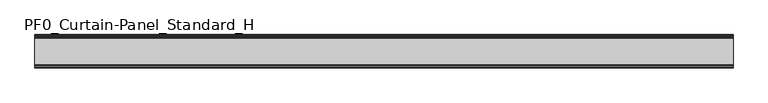
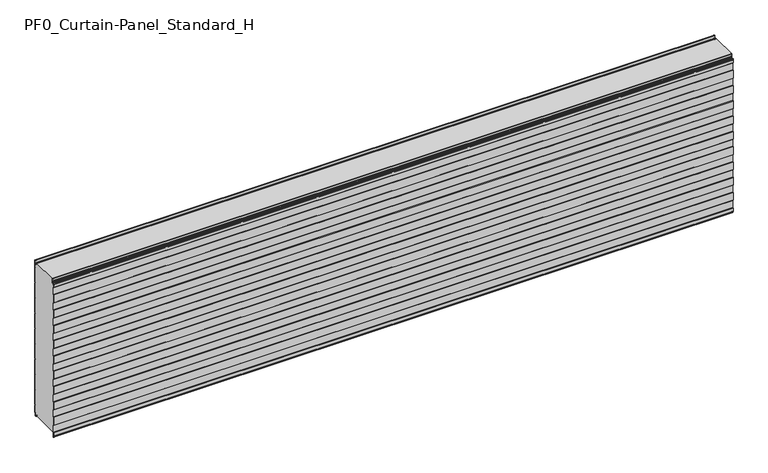
"""IFC4 building model written with IfcOpenShell, lengths in millimetres: plate geometry, PF0_Curtain-Panel_Standard_H."""

from ifc_helpers import new_model, si_unit, point, frame, frame_2d, origin, place, context, project, spatial, polyline, circle_curve, trimmed, segment, composite_curve, outline, extrude, source, transform, mapped, element, save


def pf0_curtain_panel_standard_h_e55e0dc4(model_context):
    return source(origin(), model_context, "Body", "SweptSolid", [
        extrude(outline(composite_curve([segment(polyline([(-190.0, 0.0), (-193.5, 0.0)]), True, "CONTINUOUS"), segment(trimmed(circle_curve(frame_2d((-193.5, -2.0)), 2.0), [point((-193.5, 0.0))], [point((-195.5, -2.0))], True, "CARTESIAN"), True, "CONTINUOUS"), segment(polyline([(-195.5, -2.0), (-195.5, -33.0)]), True, "CONTINUOUS"), segment(trimmed(circle_curve(frame_2d((-196.5, -33.0)), 1.0), [point((-195.5, -33.0))], [point((-197.5, -33.0))], False, "CARTESIAN"), True, "CONTINUOUS"), segment(polyline([(-197.5, -33.0), (-197.5, -26.9)]), True, "CONTINUOUS"), segment(trimmed(circle_curve(frame_2d((-198.4, -26.9)), 0.9), [point((-197.5, -26.9))], [point((-198.4, -26.0))], True, "CARTESIAN"), True, "CONTINUOUS"), segment(trimmed(circle_curve(frame_2d((-198.4, -24.4)), 1.6), [point((-198.4, -26.0))], [point((-200.0, -24.4))], False, "CARTESIAN"), True, "CONTINUOUS"), segment(polyline([(-200.0, -24.4), (-200.0, -0.9952559), (-198.5, 1.6028217), (-198.5, 46.4028193), (-200.0, 49.0008969), (-200.0, 99.0047441), (-198.5, 101.6028217), (-198.5, 146.4028193), (-200.0, 149.0008969), (-200.0, 199.0047441), (-198.5, 201.6028217), (-198.5, 246.4028193), (-200.0, 249.0008969), (-200.0, 299.0047441), (-198.5, 301.6028217), (-198.5, 346.4028193), (-200.0, 349.0008969), (-200.0, 399.0047441), (-198.5, 401.6028217), (-198.5, 446.4028193), (-200.0, 449.0008969), (-200.0, 499.0047441), (-198.5, 501.6028217), (-198.5, 546.4028193), (-200.0, 549.0008969), (-200.0, 599.0047441), (-198.5, 601.6028217), (-198.5, 646.4028193), (-200.0, 649.0008969), (-200.0, 699.0047441), (-198.5, 701.6028217), (-198.5, 746.4028193), (-200.0, 749.0008969), (-200.0, 799.0047441), (-198.5, 801.6028217), (-198.5, 846.4028193), (-200.0, 849.0008969), (-200.0, 899.0047441), (-198.5, 901.6028217), (-198.5, 946.4028193), (-200.0, 949.0008969), (-200.0, 972.168846)]), True, "CONTINUOUS"), segment(trimmed(circle_curve(frame_2d((-199.0, 972.168846)), 1.0), [point((-200.0, 972.168846))], [point((-198.0, 972.168846))], False, "CARTESIAN"), True, "CONTINUOUS"), segment(polyline([(-198.0, 972.168846), (-198.0, 966.168846)]), True, "CONTINUOUS"), segment(trimmed(circle_curve(frame_2d((-196.5, 966.168846)), 1.5), [point((-198.0, 966.168846))], [point((-195.0, 966.168846))], True, "CARTESIAN"), True, "CONTINUOUS"), segment(polyline([(-195.0, 966.168846), (-195.0, 966.9964664)]), True, "CONTINUOUS"), segment(trimmed(circle_curve(frame_2d((-188.8276204, 966.9964664)), 6.1723796), [point((-195.0, 966.9964664))], [point((-188.8276204, 973.168846))], False, "CARTESIAN"), True, "CONTINUOUS"), segment(polyline([(-188.8276204, 973.168846), (-188.0, 973.168846)]), True, "CONTINUOUS"), segment(trimmed(circle_curve(frame_2d((-188.0, 974.168846)), 1.0), [point((-188.0, 973.168846))], [point((-187.0, 974.168846))], True, "CARTESIAN"), True, "CONTINUOUS"), segment(polyline([(-187.0, 974.168846), (-187.0, 980.6688472), (-185.4999999, 982.168846), (-187.0, 983.6688448), (-187.0, 995.568846)]), True, "CONTINUOUS"), segment(trimmed(circle_curve(frame_2d((-184.4, 995.568846)), 2.6), [point((-187.0, 995.568846))], [point((-184.4, 998.168846))], False, "CARTESIAN"), True, "CONTINUOUS"), segment(polyline([(-184.4, 998.168846), (-183.0, 998.168846), (-183.0, 997.368846), (-184.4, 997.368846)]), True, "CONTINUOUS"), segment(trimmed(circle_curve(frame_2d((-184.4, 995.568846)), 1.8), [point((-184.4, 997.368846))], [point((-186.2, 995.568846))], True, "CARTESIAN"), True, "CONTINUOUS"), segment(polyline([(-186.2, 995.568846), (-186.2, 984.0002158), (-184.3686285, 982.168846), (-186.2, 980.3374762), (-186.2, 974.168846)]), True, "CONTINUOUS"), segment(trimmed(circle_curve(frame_2d((-188.0, 974.168846)), 1.8), [point((-186.2, 974.168846))], [point((-188.0, 972.368846))], False, "CARTESIAN"), True, "CONTINUOUS"), segment(polyline([(-188.0, 972.368846), (-188.8276204, 972.368846)]), True, "CONTINUOUS"), segment(trimmed(circle_curve(frame_2d((-188.8276204, 966.9964664)), 5.3723796), [point((-188.8276204, 972.368846))], [point((-194.2, 966.9964664))], True, "CARTESIAN"), True, "CONTINUOUS"), segment(polyline([(-194.2, 966.9964664), (-194.2, 966.168846)]), True, "CONTINUOUS"), segment(trimmed(circle_curve(frame_2d((-196.4, 966.168846)), 2.2), [point((-194.2, 966.168846))], [point((-198.6, 966.168846))], False, "CARTESIAN"), True, "CONTINUOUS"), segment(polyline([(-198.6, 966.168846), (-198.6, 972.0579973)]), True, "CONTINUOUS"), segment(trimmed(circle_curve(frame_2d((-198.9, 972.0579973)), 0.3), [point((-198.6, 972.0579973))], [point((-199.2, 972.0579973))], True, "CARTESIAN"), True, "CONTINUOUS"), segment(polyline([(-199.2, 972.0579973), (-199.2, 949.2152562), (-197.7, 946.6171786), (-197.7, 901.3884624), (-199.2, 898.7903848), (-199.2, 849.2152562), (-197.7, 846.6171786), (-197.7, 801.3884624), (-199.2, 798.7903848), (-199.2, 749.2152562), (-197.7, 746.6171786), (-197.7, 701.3884624), (-199.2, 698.7903848), (-199.2, 649.2152562), (-197.7, 646.6171786), (-197.7, 601.3884624), (-199.2, 598.7903848), (-199.2, 549.2152562), (-197.7, 546.6171786), (-197.7, 501.3884624), (-199.2, 498.7903848), (-199.2, 449.2152562), (-197.7, 446.6171786), (-197.7, 401.3884624), (-199.2, 398.7903848), (-199.2, 349.2152562), (-197.7, 346.6171786), (-197.7, 301.3884624), (-199.2, 298.7903848), (-199.2, 249.2152562), (-197.7, 246.6171786), (-197.7, 201.3884624), (-199.2, 198.7903848), (-199.2, 149.2152562), (-197.7, 146.6171786), (-197.7, 101.3884624), (-199.2, 98.7903848), (-199.2, 49.2152562), (-197.7, 46.6171786), (-197.7, 1.3884624), (-199.2, -1.2096152), (-199.2, -24.4)]), True, "CONTINUOUS"), segment(trimmed(circle_curve(frame_2d((-198.4, -24.4)), 0.8), [point((-199.2, -24.4))], [point((-198.4, -25.2))], True, "CARTESIAN"), True, "CONTINUOUS"), segment(trimmed(circle_curve(frame_2d((-198.6133333, -26.9)), 1.7133333), [point((-198.4, -25.2))], [point((-196.9, -26.9))], False, "CARTESIAN"), True, "CONTINUOUS"), segment(polyline([(-196.9, -26.9), (-196.9, -32.8700312)]), True, "CONTINUOUS"), segment(trimmed(circle_curve(frame_2d((-196.6, -32.8700312)), 0.3), [point((-196.9, -32.8700312))], [point((-196.3, -32.8700312))], True, "CARTESIAN"), True, "CONTINUOUS"), segment(polyline([(-196.3, -32.8700312), (-196.3, -2.0)]), True, "CONTINUOUS"), segment(trimmed(circle_curve(frame_2d((-193.5, -2.0)), 2.8), [point((-196.3, -2.0))], [point((-193.5, 0.8))], False, "CARTESIAN"), True, "CONTINUOUS"), segment(polyline([(-193.5, 0.8), (-190.0, 0.8), (-190.0, 0.0)]), True, "CONTINUOUS")], self_intersect=False)), frame((-2100.0, 0.0, 0.0), z_axis=(1.0, 0.0, 0.0), x_axis=(0.0, 1.0, 0.0)), (0.0, 0.0, 1.0), 4200.0),
        extrude(outline(composite_curve([segment(polyline([(-15.878557, 0.0), (-20.0, 0.0), (-20.0, 0.8), (-15.878557, 0.8)]), True, "CONTINUOUS"), segment(trimmed(circle_curve(frame_2d((-15.878557, -2.0)), 2.8), [point((-15.878557, 0.8))], [point((-13.1503208, -1.370137))], False, "CARTESIAN"), True, "CONTINUOUS"), segment(polyline([(-13.1503208, -1.370137), (-11.728236, -7.529863)]), True, "CONTINUOUS"), segment(trimmed(circle_curve(frame_2d((-9.0, -6.9)), 2.8), [point((-11.728236, -7.529863))], [point((-6.2, -6.9))], True, "CARTESIAN"), True, "CONTINUOUS"), segment(polyline([(-6.2, -6.9), (-6.2, 8.6)]), True, "CONTINUOUS"), segment(trimmed(circle_curve(frame_2d((-3.4, 8.6)), 2.8), [point((-6.2, 8.6))], [point((-3.4, 11.4))], False, "CARTESIAN"), True, "CONTINUOUS"), segment(polyline([(-3.4, 11.4), (-2.0, 11.4)]), True, "CONTINUOUS"), segment(trimmed(circle_curve(frame_2d((-2.0, 12.6)), 1.2), [point((-2.0, 11.4))], [point((-0.8, 12.6))], True, "CARTESIAN"), True, "CONTINUOUS"), segment(polyline([(-0.8, 12.6), (-0.8, 57.6856412), (-2.482606, 60.6), (-0.8, 63.5143588), (-0.8, 157.6856412), (-2.482606, 160.6), (-0.8, 163.5143588), (-0.8, 257.6856412), (-2.482606, 260.6), (-0.8, 263.5143588), (-0.8, 357.6856412), (-2.482606, 360.6), (-0.8, 363.5143588), (-0.8, 457.6856412), (-2.482606, 460.6), (-0.8, 463.5143588), (-0.8, 557.6856412), (-2.482606, 560.6), (-0.8, 563.5143588), (-0.8, 657.6856412), (-2.482606, 660.6), (-0.8, 663.5143588), (-0.8, 757.6856412), (-2.482606, 760.6), (-0.8, 763.5143588), (-0.8, 857.6856412), (-2.482606, 860.6), (-0.8, 863.5143588), (-0.8, 957.6856412), (-2.482606, 960.6), (-0.8, 963.5143588), (-0.8, 1007.268846)]), True, "CONTINUOUS"), segment(trimmed(circle_curve(frame_2d((-2.5, 1007.268846)), 1.7), [point((-0.8, 1007.268846))], [point((-4.2, 1007.268846))], True, "CARTESIAN"), True, "CONTINUOUS"), segment(polyline([(-4.2, 1007.268846), (-4.2, 990.268846)]), True, "CONTINUOUS"), segment(trimmed(circle_curve(frame_2d((-9.0, 990.268846)), 4.8), [point((-4.2, 990.268846))], [point((-13.7270771, 989.4353344))], False, "CARTESIAN"), True, "CONTINUOUS"), segment(polyline([(-13.7270771, 989.4353344), (-14.8636953, 995.8814129)]), True, "CONTINUOUS"), segment(trimmed(circle_curve(frame_2d((-16.6363492, 995.568846)), 1.8), [point((-14.8636953, 995.8814129))], [point((-16.6363492, 997.368846))], True, "CARTESIAN"), True, "CONTINUOUS"), segment(polyline([(-16.6363492, 997.368846), (-20.0, 997.368846), (-20.0, 998.168846), (-16.6363492, 998.168846)]), True, "CONTINUOUS"), segment(trimmed(circle_curve(frame_2d((-16.6363492, 995.568846)), 2.6), [point((-16.6363492, 998.168846))], [point((-14.0758491, 996.0203315))], False, "CARTESIAN"), True, "CONTINUOUS"), segment(polyline([(-14.0758491, 996.0203315), (-12.939231, 989.574253)]), True, "CONTINUOUS"), segment(trimmed(circle_curve(frame_2d((-9.0, 990.268846)), 4.0), [point((-12.939231, 989.574253))], [point((-5.0, 990.268846))], True, "CARTESIAN"), True, "CONTINUOUS"), segment(polyline([(-5.0, 990.268846), (-5.0, 1007.268846)]), True, "CONTINUOUS"), segment(trimmed(circle_curve(frame_2d((-2.5, 1007.268846)), 2.5), [point((-5.0, 1007.268846))], [point((0.0, 1007.268846))], False, "CARTESIAN"), True, "CONTINUOUS"), segment(polyline([(0.0, 1007.268846), (0.0, 963.2999995), (-1.5588455, 960.6), (0.0, 957.9000005), (0.0, 863.2999995), (-1.5588455, 860.6), (0.0, 857.9000005), (0.0, 763.2999995), (-1.5588455, 760.6), (0.0, 757.9000005), (0.0, 663.2999995), (-1.5588455, 660.6), (0.0, 657.9000005), (0.0, 563.2999995), (-1.5588455, 560.6), (0.0, 557.9000005), (0.0, 463.2999995), (-1.5588455, 460.6), (0.0, 457.9000005), (0.0, 363.2999995), (-1.5588455, 360.6), (0.0, 357.9000005), (0.0, 263.2999995), (-1.5588455, 260.6), (0.0, 257.9000005), (0.0, 163.2999995), (-1.5588455, 160.6), (0.0, 157.9000005), (0.0, 63.2999995), (-1.5588455, 60.6), (0.0, 57.9000005), (0.0, 12.6)]), True, "CONTINUOUS"), segment(trimmed(circle_curve(frame_2d((-2.0, 12.6)), 2.0), [point((0.0, 12.6))], [point((-2.0, 10.6))], False, "CARTESIAN"), True, "CONTINUOUS"), segment(polyline([(-2.0, 10.6), (-3.4, 10.6)]), True, "CONTINUOUS"), segment(trimmed(circle_curve(frame_2d((-3.4, 8.6)), 2.0), [point((-3.4, 10.6))], [point((-5.4, 8.6))], True, "CARTESIAN"), True, "CONTINUOUS"), segment(polyline([(-5.4, 8.6), (-5.4, -6.9)]), True, "CONTINUOUS"), segment(trimmed(circle_curve(frame_2d((-9.0, -6.9)), 3.6), [point((-5.4, -6.9))], [point((-12.5077322, -7.7098239))], False, "CARTESIAN"), True, "CONTINUOUS"), segment(polyline([(-12.5077322, -7.7098239), (-13.929817, -1.5500979)]), True, "CONTINUOUS"), segment(trimmed(circle_curve(frame_2d((-15.878557, -2.0)), 2.0), [point((-13.929817, -1.5500979))], [point((-15.878557, 0.0))], True, "CARTESIAN"), True, "CONTINUOUS")], self_intersect=False)), frame((-2100.0, 0.0, 0.0), z_axis=(1.0, 0.0, 0.0), x_axis=(0.0, 1.0, 0.0)), (0.0, 0.0, 1.0), 4200.0),
        extrude(outline(composite_curve([segment(polyline([(-190.0, 0.8), (-193.5, 0.8)]), True, "CONTINUOUS"), segment(trimmed(circle_curve(frame_2d((-193.5, -2.0)), 2.8), [point((-193.5, 0.8))], [point((-196.3, -2.0))], True, "CARTESIAN"), True, "CONTINUOUS"), segment(polyline([(-196.3, -2.0), (-196.3, -32.8700312)]), True, "CONTINUOUS"), segment(trimmed(circle_curve(frame_2d((-196.6, -32.8700312)), 0.3), [point((-196.3, -32.8700312))], [point((-196.9, -32.8700312))], False, "CARTESIAN"), True, "CONTINUOUS"), segment(polyline([(-196.9, -32.8700312), (-196.9, -26.9)]), True, "CONTINUOUS"), segment(trimmed(circle_curve(frame_2d((-198.6133333, -26.9)), 1.7133333), [point((-196.9, -26.9))], [point((-198.4, -25.2))], True, "CARTESIAN"), True, "CONTINUOUS"), segment(trimmed(circle_curve(frame_2d((-198.4, -24.4)), 0.8), [point((-198.4, -25.2))], [point((-199.2, -24.4))], False, "CARTESIAN"), True, "CONTINUOUS"), segment(polyline([(-199.2, -24.4), (-199.2, -1.2096152), (-197.7, 1.3884624), (-197.7, 46.6171786), (-199.2, 49.2152562), (-199.2, 98.7903848), (-197.7, 101.3884624), (-197.7, 146.6171786), (-199.2, 149.2152562), (-199.2, 198.7903848), (-197.7, 201.3884624), (-197.7, 246.6171786), (-199.2, 249.2152562), (-199.2, 298.7903848), (-197.7, 301.3884624), (-197.7, 346.6171786), (-199.2, 349.2152562), (-199.2, 398.7903848), (-197.7, 401.3884624), (-197.7, 446.6171786), (-199.2, 449.2152562), (-199.2, 498.7903848), (-197.7, 501.3884624), (-197.7, 546.6171786), (-199.2, 549.2152562), (-199.2, 598.7903848), (-197.7, 601.3884624), (-197.7, 646.6171786), (-199.2, 649.2152562), (-199.2, 698.7903848), (-197.7, 701.3884624), (-197.7, 746.6171786), (-199.2, 749.2152562), (-199.2, 798.7903848), (-197.7, 801.3884624), (-197.7, 846.6171786), (-199.2, 849.2152562), (-199.2, 898.7903848), (-197.7, 901.3884624), (-197.7, 946.6171786), (-199.2, 949.2152562), (-199.2, 972.0579973)]), True, "CONTINUOUS"), segment(trimmed(circle_curve(frame_2d((-198.9, 972.0579973)), 0.3), [point((-199.2, 972.0579973))], [point((-198.6, 972.0579973))], False, "CARTESIAN"), True, "CONTINUOUS"), segment(polyline([(-198.6, 972.0579973), (-198.6, 966.168846)]), True, "CONTINUOUS"), segment(trimmed(circle_curve(frame_2d((-196.4, 966.168846)), 2.2), [point((-198.6, 966.168846))], [point((-194.2, 966.168846))], True, "CARTESIAN"), True, "CONTINUOUS"), segment(polyline([(-194.2, 966.168846), (-194.2, 966.9964664)]), True, "CONTINUOUS"), segment(trimmed(circle_curve(frame_2d((-188.8276204, 966.9964664)), 5.3723796), [point((-194.2, 966.9964664))], [point((-188.8276204, 972.368846))], False, "CARTESIAN"), True, "CONTINUOUS"), segment(polyline([(-188.8276204, 972.368846), (-188.0, 972.368846)]), True, "CONTINUOUS"), segment(trimmed(circle_curve(frame_2d((-188.0, 974.168846)), 1.8), [point((-188.0, 972.368846))], [point((-186.2, 974.168846))], True, "CARTESIAN"), True, "CONTINUOUS"), segment(polyline([(-186.2, 974.168846), (-186.2, 980.3374762), (-184.3686285, 982.168846), (-186.2, 984.0002158), (-186.2, 995.568846)]), True, "CONTINUOUS"), segment(trimmed(circle_curve(frame_2d((-184.4, 995.568846)), 1.8), [point((-186.2, 995.568846))], [point((-184.4, 997.368846))], False, "CARTESIAN"), True, "CONTINUOUS"), segment(polyline([(-184.4, 997.368846), (-183.0, 997.368846), (-183.0, 998.168846), (-20.0, 998.168846), (-20.0, 997.368846), (-16.6363492, 997.368846)]), True, "CONTINUOUS"), segment(trimmed(circle_curve(frame_2d((-16.6363492, 995.568846)), 1.8), [point((-16.6363492, 997.368846))], [point((-14.8636953, 995.8814129))], False, "CARTESIAN"), True, "CONTINUOUS"), segment(polyline([(-14.8636953, 995.8814129), (-13.7270772, 989.4353344)]), True, "CONTINUOUS"), segment(trimmed(circle_curve(frame_2d((-9.0, 990.268846)), 4.8), [point((-13.7270772, 989.4353344))], [point((-4.2, 990.268846))], True, "CARTESIAN"), True, "CONTINUOUS"), segment(polyline([(-4.2, 990.268846), (-4.2, 1007.268846)]), True, "CONTINUOUS"), segment(trimmed(circle_curve(frame_2d((-2.5, 1007.268846)), 1.7), [point((-4.2, 1007.268846))], [point((-0.8, 1007.268846))], False, "CARTESIAN"), True, "CONTINUOUS"), segment(polyline([(-0.8, 1007.268846), (-0.8, 963.5143588), (-2.482606, 960.6), (-0.8, 957.6856412), (-0.8, 863.5143588), (-2.482606, 860.6), (-0.8, 857.6856412), (-0.8, 763.5143588), (-2.482606, 760.6), (-0.8, 757.6856412), (-0.8, 663.5143588), (-2.482606, 660.6), (-0.8, 657.6856412), (-0.8, 563.5143588), (-2.482606, 560.6), (-0.8, 557.6856412), (-0.8, 463.5143588), (-2.482606, 460.6), (-0.8, 457.6856412), (-0.8, 363.5143588), (-2.482606, 360.6), (-0.8, 357.6856412), (-0.8, 263.5143588), (-2.482606, 260.6), (-0.8, 257.6856412), (-0.8, 163.5143588), (-2.482606, 160.6), (-0.8, 157.6856412), (-0.8, 63.5143588), (-2.482606, 60.6), (-0.8, 57.6856412), (-0.8, 12.6)]), True, "CONTINUOUS"), segment(trimmed(circle_curve(frame_2d((-2.0, 12.6)), 1.2), [point((-0.8, 12.6))], [point((-2.0, 11.4))], False, "CARTESIAN"), True, "CONTINUOUS"), segment(polyline([(-2.0, 11.4), (-3.4, 11.4)]), True, "CONTINUOUS"), segment(trimmed(circle_curve(frame_2d((-3.4, 8.6)), 2.8), [point((-3.4, 11.4))], [point((-6.2, 8.6))], True, "CARTESIAN"), True, "CONTINUOUS"), segment(polyline([(-6.2, 8.6), (-6.2, -6.9)]), True, "CONTINUOUS"), segment(trimmed(circle_curve(frame_2d((-9.0, -6.9)), 2.8), [point((-6.2, -6.9))], [point((-11.7282362, -7.529863))], False, "CARTESIAN"), True, "CONTINUOUS"), segment(polyline([(-11.7282362, -7.529863), (-13.1503208, -1.370137)]), True, "CONTINUOUS"), segment(trimmed(circle_curve(frame_2d((-15.878557, -2.0)), 2.8), [point((-13.1503208, -1.370137))], [point((-15.878557, 0.8))], True, "CARTESIAN"), True, "CONTINUOUS"), segment(polyline([(-15.878557, 0.8), (-20.0, 0.8), (-20.0, 0.0), (-190.0, 0.0), (-190.0, 0.8)]), True, "CONTINUOUS")], self_intersect=False)), frame((-2100.0, 0.0, 0.0), z_axis=(1.0, 0.0, 0.0), x_axis=(0.0, 1.0, 0.0)), (0.0, 0.0, 1.0), 4200.0),
    ])


if __name__ == "__main__":
    model = new_model("IFC4")
    model_context = context("Model", 3, world=origin())
    ifc_project = project(units=[si_unit("LENGTHUNIT", "METRE", prefix="MILLI")], contexts=[model_context])
    site = spatial("IfcSite", under=ifc_project)
    building = spatial("IfcBuilding", under=site)
    placement = place(None, origin())
    pf0_curtain_panel_standard_h_shape = pf0_curtain_panel_standard_h_e55e0dc4(model_context)
    element("IfcPlate", 1, ObjectType="PF0_Curtain-Panel_Standard_H", at=placement, inside=building, context=model_context, shape_type="MappedRepresentation", body=[
        mapped(pf0_curtain_panel_standard_h_shape, transform((0.0, 0.0, 0.0), x_axis=(1.0, 0.0, 0.0), y_axis=(0.0, 1.0, 0.0), z_axis=(0.0, 0.0, 1.0))),
    ])
    save(model, "model.ifc")
